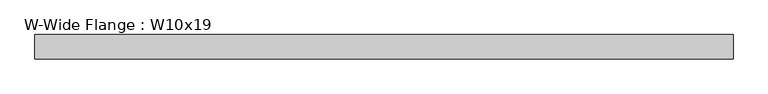
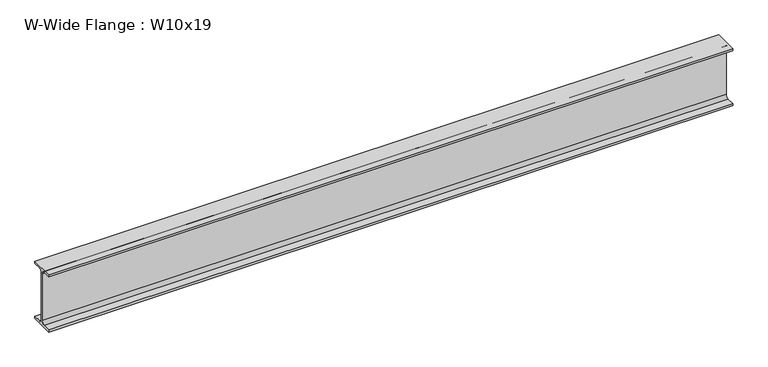
"""IFC4 building model written with IfcOpenShell, lengths in millimetres: beam geometry, W-Wide Flange : W10x19."""

from ifc_helpers import new_model, si_unit, point, frame, frame_2d, origin, place, context, project, spatial, polyline, circle_curve, trimmed, segment, composite_curve, outline, extrude, source, transform, mapped, element, save


def w_wide_flange_w10x19_824a86c9(model_context):
    return source(origin(), model_context, "Body", "SweptSolid", [
        extrude(outline(composite_curve([segment(polyline([(51.054, -119.507), (51.054, -129.54), (-51.054, -129.54), (-51.054, -119.507), (-16.9545, -119.507)]), True, "CONTINUOUS"), segment(trimmed(circle_curve(frame_2d((-16.9545, -105.7275)), 13.7795), [point((-16.9545, -119.507))], [point((-3.175, -105.7275))], True, "CARTESIAN"), True, "CONTINUOUS"), segment(polyline([(-3.175, -105.7275), (-3.175, 105.7275)]), True, "CONTINUOUS"), segment(trimmed(circle_curve(frame_2d((-16.9545, 105.7275)), 13.7795), [point((-3.175, 105.7275))], [point((-16.9545, 119.507))], True, "CARTESIAN"), True, "CONTINUOUS"), segment(polyline([(-16.9545, 119.507), (-51.054, 119.507), (-51.054, 129.54), (51.054, 129.54), (51.054, 119.507), (16.9545, 119.507)]), True, "CONTINUOUS"), segment(trimmed(circle_curve(frame_2d((16.9545, 105.7275)), 13.7795), [point((16.9545, 119.507))], [point((3.175, 105.7275))], True, "CARTESIAN"), True, "CONTINUOUS"), segment(polyline([(3.175, 105.7275), (3.175, -105.7275)]), True, "CONTINUOUS"), segment(trimmed(circle_curve(frame_2d((16.9545, -105.7275)), 13.7795), [point((3.175, -105.7275))], [point((16.9545, -119.507))], True, "CARTESIAN"), True, "CONTINUOUS"), segment(polyline([(16.9545, -119.507), (51.054, -119.507)]), True, "CONTINUOUS")], self_intersect=False)), frame((-1461.29375, 0.0, 0.0), z_axis=(1.0, 0.0, 0.0), x_axis=(0.0, 1.0, 0.0)), (0.0, 0.0, 1.0), 2927.35),
    ])


if __name__ == "__main__":
    model = new_model("IFC4")
    model_context = context("Model", 3, world=origin())
    ifc_project = project(units=[si_unit("LENGTHUNIT", "METRE", prefix="MILLI")], contexts=[model_context])
    site = spatial("IfcSite", under=ifc_project)
    building = spatial("IfcBuilding", under=site)
    placement = place(None, origin())
    w_wide_flange_w10x19_shape = w_wide_flange_w10x19_824a86c9(model_context)
    element("IfcBeam", 1, ObjectType="W-Wide Flange : W10x19", at=placement, inside=building, context=model_context, shape_type="MappedRepresentation", body=[
        mapped(w_wide_flange_w10x19_shape, transform((0.0, 0.0, 0.0), x_axis=(1.0, 0.0, 0.0), y_axis=(0.0, 1.0, 0.0), z_axis=(0.0, 0.0, 1.0))),
    ])
    save(model, "model.ifc")
